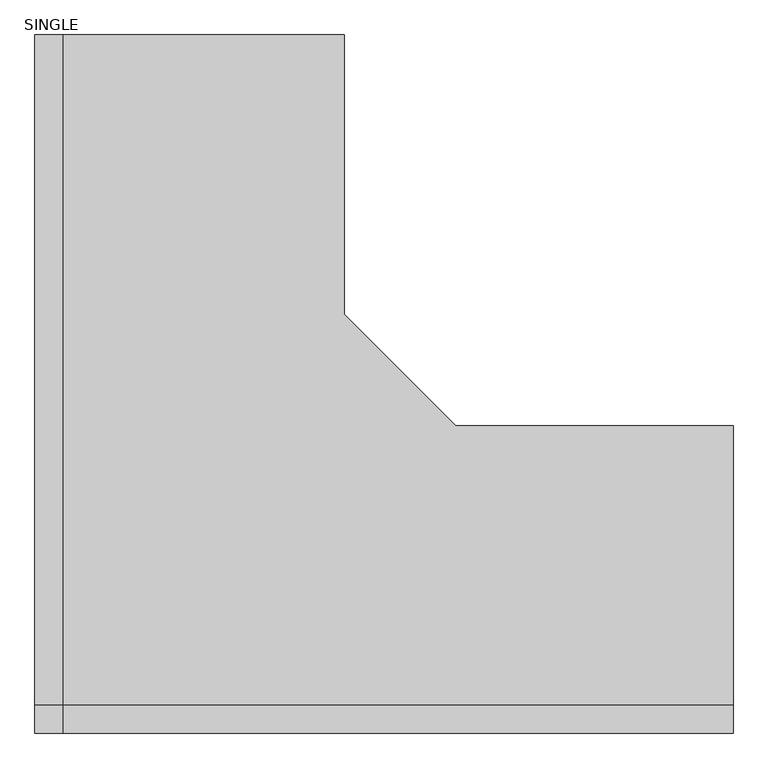
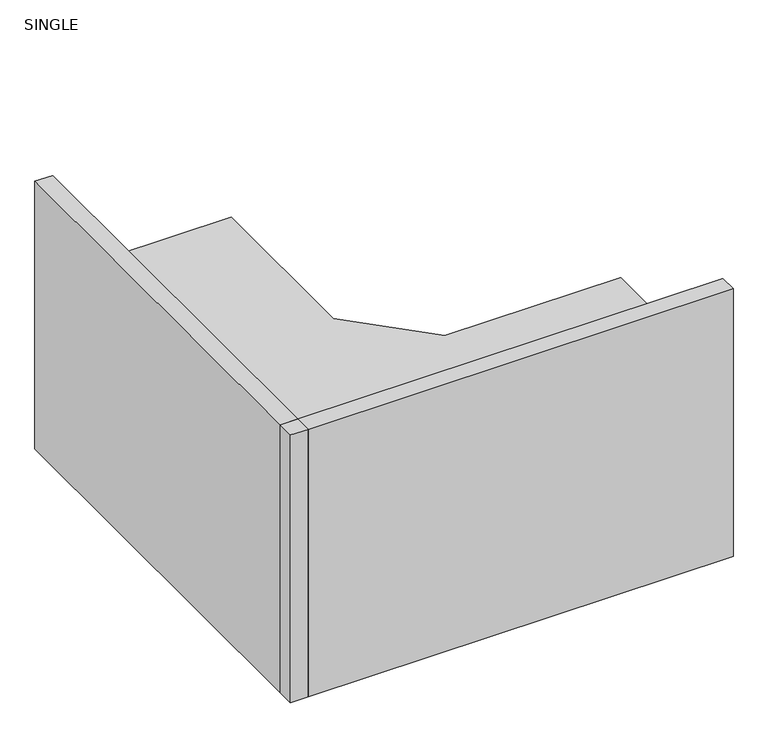
"""IFC4 building model written with IfcOpenShell, lengths in millimetres: furniture geometry, SINGLE."""

import ifcopenshell
import ifcopenshell.guid

model = None  # the IFC model being written
_history = None  # IfcOwnerHistory: only IFC2X3 demands one
_inside = {}  # id of a spatial element -> (the spatial element, [elements in it])
_under = {}  # id of a project, library or spatial element -> (it, [spatial elements below it])
_declared = {}  # id of a project -> (the project, [libraries it declares])
_typed = {}  # id of a type object -> (the type object, [elements of that type])
_made_of = {}  # id of a material, layer set ... -> (it, [elements and type objects made of it])


def new_model(schema):
    """Start an empty IFC model of exactly this schema.

    Asked for "IFC4X3", IfcOpenShell would pick the latest addendum, in which some entities
    have other attributes; the version numbers below select the first issue.
    IFC2X3 requires an IfcOwnerHistory on every rooted entity: one is made here for all.
    """
    global model, _history
    if schema == "IFC4X3":
        model = ifcopenshell.file(schema_version=(4, 3, 0, 0))
    else:
        model = ifcopenshell.file(schema=schema)
    _inside.clear()
    _under.clear()
    _declared.clear()
    _typed.clear()
    _made_of.clear()
    _history = None
    if model.schema == "IFC2X3":
        org = make("IfcOrganization", Name="unknown")
        user = make(
            "IfcPersonAndOrganization",
            ThePerson=make("IfcPerson", FamilyName="unknown"),
            TheOrganization=org,
        )
        app = make(
            "IfcApplication",
            ApplicationDeveloper=org,
            Version="unknown",
            ApplicationFullName="unknown",
            ApplicationIdentifier="unknown",
        )
        _history = make(
            "IfcOwnerHistory",
            OwningUser=user,
            OwningApplication=app,
            ChangeAction="ADDED",
            CreationDate=0,
        )
    return model


def make(cls, **values):
    """One entity of the class cls with the attributes given. An attribute that is None is left unset."""
    return model.create_entity(
        cls, **{name: value for name, value in values.items() if value is not None}
    )


def rooted(cls, **values):
    """An entity with a GlobalId (a new one), such as an element, a storey or a relation."""
    return make(cls, GlobalId=ifcopenshell.guid.new(), OwnerHistory=_history, **values)


def si_unit(unit_type, name, prefix=None):
    """IfcSIUnit, for example si_unit("LENGTHUNIT", "METRE", prefix="MILLI")."""
    return make("IfcSIUnit", UnitType=unit_type, Prefix=prefix, Name=name)


def assignment(units):
    """IfcUnitAssignment: the units of a project."""
    return None if units is None else make("IfcUnitAssignment", Units=units)


def point(xyz):
    """IfcCartesianPoint."""
    return None if xyz is None else make("IfcCartesianPoint", Coordinates=xyz)


def direction(xyz):
    """IfcDirection."""
    return None if xyz is None else make("IfcDirection", DirectionRatios=xyz)


def frame(location, z_axis=None, x_axis=None):
    """IfcAxis2Placement3D, a coordinate frame: its origin and axes. An axis left out is left unset."""
    return make(
        "IfcAxis2Placement3D",
        Location=point(location),
        Axis=direction(z_axis),
        RefDirection=direction(x_axis),
    )


def origin():
    """The frame at (0, 0, 0) with its axes left unset."""
    return frame((0.0, 0.0, 0.0))


def origin_with_axes():
    """The frame at (0, 0, 0) with the z axis (0, 0, 1) and the x axis (1, 0, 0) written out."""
    return frame((0.0, 0.0, 0.0), z_axis=(0.0, 0.0, 1.0), x_axis=(1.0, 0.0, 0.0))


def place(relative_to, where):
    """IfcLocalPlacement: puts the frame where relative to a parent placement (None: the world)."""
    return make(
        "IfcLocalPlacement", PlacementRelTo=relative_to, RelativePlacement=where
    )


def context(
    kind, dimensions, precision=None, world=None, true_north=None, identifier=None
):
    """IfcGeometricRepresentationContext, for example the 3D "Model" context."""
    return make(
        "IfcGeometricRepresentationContext",
        ContextIdentifier=identifier,
        ContextType=kind,
        CoordinateSpaceDimension=dimensions,
        Precision=precision,
        WorldCoordinateSystem=world,
        TrueNorth=true_north,
    )


def project(units=None, contexts=None):
    """IfcProject with its units and contexts."""
    return rooted(
        "IfcProject",
        Name="project",
        RepresentationContexts=contexts,
        UnitsInContext=assignment(units),
    )


def spatial(cls, under=None, at=None, **own):
    """A site, building, storey or space (cls), placed at a placement, below another one or the project."""
    s = rooted(cls, ObjectPlacement=at, **own)
    if under is not None:
        _under.setdefault(under.id(), (under, []))[1].append(s)
    return s


def polyline(points):
    """IfcPolyline through the points."""
    return make("IfcPolyline", Points=[point(p) for p in points])


def outline(outer, holes=None, kind="AREA"):
    """IfcArbitraryClosedProfileDef: a profile drawn as a closed curve; with holes, ...WithVoids."""
    if holes is None:
        return make("IfcArbitraryClosedProfileDef", ProfileType=kind, OuterCurve=outer)
    return make(
        "IfcArbitraryProfileDefWithVoids",
        ProfileType=kind,
        OuterCurve=outer,
        InnerCurves=holes,
    )


def extrude(swept, where, along, depth):
    """IfcExtrudedAreaSolid: the profile swept, set in the frame where, extruded along a direction by depth."""
    return make(
        "IfcExtrudedAreaSolid",
        SweptArea=swept,
        Position=where,
        ExtrudedDirection=direction(along),
        Depth=depth,
    )


def shape(context_of_items, identifier, shape_type, items):
    """IfcShapeRepresentation: the items that make up one representation, for example the "Body"."""
    return make(
        "IfcShapeRepresentation",
        ContextOfItems=context_of_items,
        RepresentationIdentifier=identifier,
        RepresentationType=shape_type,
        Items=items,
    )


def source(mapping_origin, context_of_items, identifier, shape_type, items):
    """IfcRepresentationMap: a shape defined once, which mapped items show again and again."""
    return make(
        "IfcRepresentationMap",
        MappingOrigin=mapping_origin,
        MappedRepresentation=shape(context_of_items, identifier, shape_type, items),
    )


def transform(
    local_origin,
    x_axis=None,
    y_axis=None,
    z_axis=None,
    scale=None,
    scale2=None,
    scale3=None,
    uniform=True,
):
    """IfcCartesianTransformationOperator3D, or its non-uniform kind. x_axis, y_axis, z_axis: its Axis1, 2, 3."""
    if uniform:
        return make(
            "IfcCartesianTransformationOperator3D",
            Axis1=direction(x_axis),
            Axis2=direction(y_axis),
            LocalOrigin=point(local_origin),
            Scale=scale,
            Axis3=direction(z_axis),
        )
    return make(
        "IfcCartesianTransformationOperator3DnonUniform",
        Axis1=direction(x_axis),
        Axis2=direction(y_axis),
        LocalOrigin=point(local_origin),
        Scale=scale,
        Axis3=direction(z_axis),
        Scale2=scale2,
        Scale3=scale3,
    )


def mapped(mapping_source, mapping_target):
    """IfcMappedItem: shows the shape of a source again, moved by a transform."""
    return make(
        "IfcMappedItem", MappingSource=mapping_source, MappingTarget=mapping_target
    )


def made_of(thing, what):
    """Note that an element or type object is made of a material, layer set ...; save() writes the relation."""
    if what is not None:
        _made_of.setdefault(what.id(), (what, []))[1].append(thing)
    return thing


def element(
    cls,
    number,
    at=None,
    inside=None,
    cuts=None,
    type_object=None,
    material=None,
    context=None,
    identifier="Body",
    shape_type=None,
    held_by="IfcProductDefinitionShape",
    body=None,
    shapes=None,
    **own,
):
    """One element of the class cls, such as IfcWall. Its Tag is "e" and its number.

    at: its placement. inside: the storey or other place that contains it. cuts: it is an
    opening in that element (IfcRelVoidsElement). A single representation is given by context,
    identifier, shape_type and body (its items); several are given by shapes. held_by: the class
    of the entity that holds the representations. save() writes the other relations.
    """
    e = rooted(cls, Tag="e%d" % number, ObjectPlacement=at, **own)
    if body is not None:
        shapes = [shape(context, identifier, shape_type, body)]
    if shapes is not None:
        e.Representation = make(held_by, Representations=shapes)
    if inside is not None:
        _inside.setdefault(inside.id(), (inside, []))[1].append(e)
    if cuts is not None:
        rooted(
            "IfcRelVoidsElement", RelatingBuildingElement=cuts, RelatedOpeningElement=e
        )
    if type_object is not None:
        _typed.setdefault(type_object.id(), (type_object, []))[1].append(e)
    return made_of(e, material)


def aggregate(whole, parts):
    """IfcRelAggregates: a whole, such as a stair, and the parts it consists of."""
    return rooted("IfcRelAggregates", RelatingObject=whole, RelatedObjects=parts)


def save(model, path):
    """Write the relations noted so far, then the file.

    IfcRelAggregates (storeys below a building ...), IfcRelContainedInSpatialStructure (elements
    in a storey), IfcRelDefinesByType, IfcRelAssociatesMaterial and IfcRelDeclares: one each for
    every whole, place, type object, material and project.
    """
    for whole, parts in _under.values():
        aggregate(whole, parts)
    for where, things in _inside.values():
        rooted(
            "IfcRelContainedInSpatialStructure",
            RelatedElements=things,
            RelatingStructure=where,
        )
    for kind, things in _typed.values():
        rooted("IfcRelDefinesByType", RelatedObjects=things, RelatingType=kind)
    for what, things in _made_of.values():
        rooted("IfcRelAssociatesMaterial", RelatedObjects=things, RelatingMaterial=what)
    for by, libraries in _declared.values():
        rooted("IfcRelDeclares", RelatingContext=by, RelatedDefinitions=libraries)
    model.write(path)


def single_d58a44db(model_context):
    return source(origin(), model_context, "Body", "SweptSolid", [
        extrude(outline(polyline([(-1165.8836254, -1327.4572938), (-1165.8836254, -2089.4572938), (-2994.6836254, -2089.4572938), (-2994.6836254, -260.6572938), (-2226.7935863, -260.6572938), (-2226.7935863, -1022.6572938), (-1921.9935863, -1327.4572938), (-1165.8836254, -1327.4572938)])), origin_with_axes(), (0.0, 0.0, 1.0), 762.0),
        extrude(outline(polyline([(-3070.8836254, -2165.6572938), (-3070.8836254, -2089.4572938), (-2994.6836254, -2089.4572938), (-2994.6836254, -2165.6572938), (-3070.8836254, -2165.6572938)])), origin_with_axes(), (0.0, 0.0, 1.0), 1219.2),
        extrude(outline(polyline([(-2994.6836254, -2165.6572938), (-2994.6836254, -2089.4572938), (-1165.8836254, -2089.4572938), (-1165.8836254, -2165.6572938), (-2994.6836254, -2165.6572938)])), origin_with_axes(), (0.0, 0.0, 1.0), 1219.2),
        extrude(outline(polyline([(-3070.8836254, -2089.4572938), (-3070.8836254, -260.6572938), (-2994.6836254, -260.6572938), (-2994.6836254, -2089.4572938), (-3070.8836254, -2089.4572938)])), origin_with_axes(), (0.0, 0.0, 1.0), 1219.2),
    ])


if __name__ == "__main__":
    model = new_model("IFC4")
    model_context = context("Model", 3, world=origin())
    ifc_project = project(units=[si_unit("LENGTHUNIT", "METRE", prefix="MILLI")], contexts=[model_context])
    site = spatial("IfcSite", under=ifc_project)
    building = spatial("IfcBuilding", under=site)
    placement = place(None, origin())
    single_shape = single_d58a44db(model_context)
    element("IfcFurniture", 1, ObjectType="SINGLE", at=placement, inside=building, context=model_context, shape_type="MappedRepresentation", body=[
        mapped(single_shape, transform((0.0, 0.0, 0.0), x_axis=(1.0, 0.0, 0.0), y_axis=(0.0, 1.0, 0.0), z_axis=(0.0, 0.0, 1.0))),
    ])
    save(model, "model.ifc")
